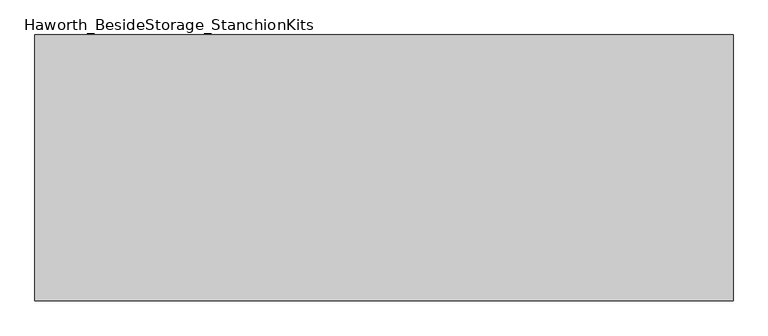
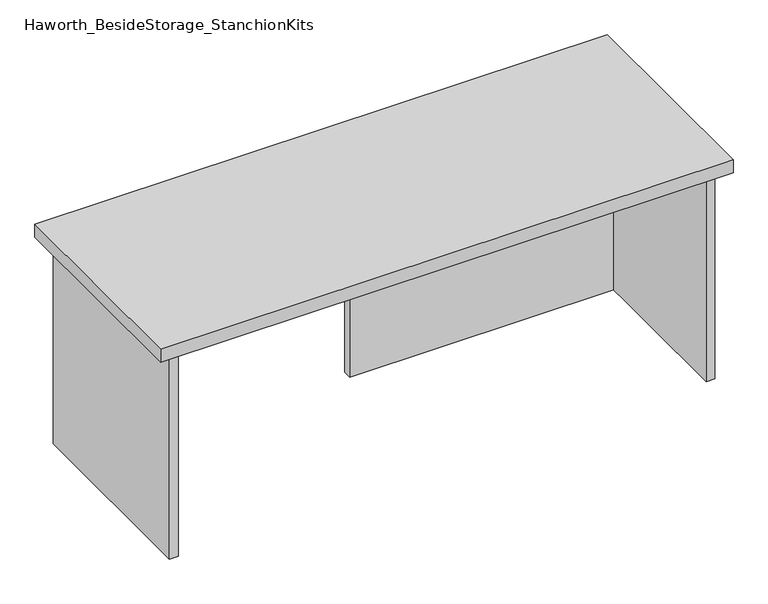
"""IFC4 building model written with IfcOpenShell, lengths in millimetres: furniture geometry, Haworth_BesideStorage_StanchionKits."""

from ifc_helpers import new_model, si_unit, frame, origin, place, context, project, spatial, polyline, outline, extrude, source, transform, mapped, element, save


def haworth_besidestorage_stanchionkits_5e8bcf00(model_context):
    return source(origin(), model_context, "Body", "SweptSolid", [
        extrude(outline(polyline([(695.325, 0.0), (695.325, -406.4), (-371.475, -406.4), (-371.475, 0.0), (695.325, 0.0)])), frame((0.0, 0.0, 838.2), z_axis=(0.0, 0.0, 1.0), x_axis=(1.0, 0.0, 0.0)), (0.0, 0.0, 1.0), 25.4),
        extrude(outline(polyline([(161.925, -76.2), (654.05, -76.2), (654.05, -92.075), (161.925, -92.075), (161.925, -76.2)])), frame((0.0, 0.0, 431.8), z_axis=(0.0, 0.0, 1.0), x_axis=(1.0, 0.0, 0.0)), (0.0, 0.0, 1.0), 406.4),
        extrude(outline(polyline([(669.925, -390.525), (654.05, -390.525), (654.05, -15.875), (669.925, -15.875), (669.925, -390.525)])), frame((0.0, 0.0, 431.8), z_axis=(0.0, 0.0, 1.0), x_axis=(1.0, 0.0, 0.0)), (0.0, 0.0, 1.0), 406.4),
        extrude(outline(polyline([(-330.2, -390.525), (-346.075, -390.525), (-346.075, -15.875), (-330.2, -15.875), (-330.2, -390.525)])), frame((0.0, 0.0, 431.8), z_axis=(0.0, 0.0, 1.0), x_axis=(1.0, 0.0, 0.0)), (0.0, 0.0, 1.0), 406.4),
    ])


if __name__ == "__main__":
    model = new_model("IFC4")
    model_context = context("Model", 3, world=origin())
    ifc_project = project(units=[si_unit("LENGTHUNIT", "METRE", prefix="MILLI")], contexts=[model_context])
    site = spatial("IfcSite", under=ifc_project)
    building = spatial("IfcBuilding", under=site)
    placement = place(None, origin())
    haworth_besidestorage_stanchionkits_shape = haworth_besidestorage_stanchionkits_5e8bcf00(model_context)
    element("IfcFurniture", 1, ObjectType="Haworth_BesideStorage_StanchionKits", at=placement, inside=building, context=model_context, shape_type="MappedRepresentation", body=[
        mapped(haworth_besidestorage_stanchionkits_shape, transform((0.0, 0.0, 0.0), x_axis=(1.0, 0.0, 0.0), y_axis=(0.0, 1.0, 0.0), z_axis=(0.0, 0.0, 1.0))),
    ])
    save(model, "model.ifc")
